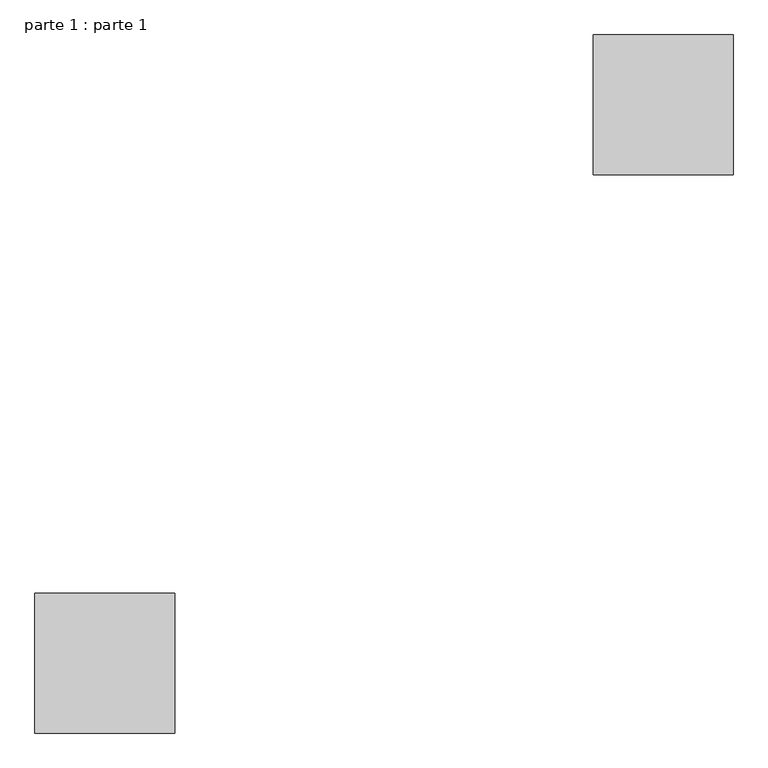
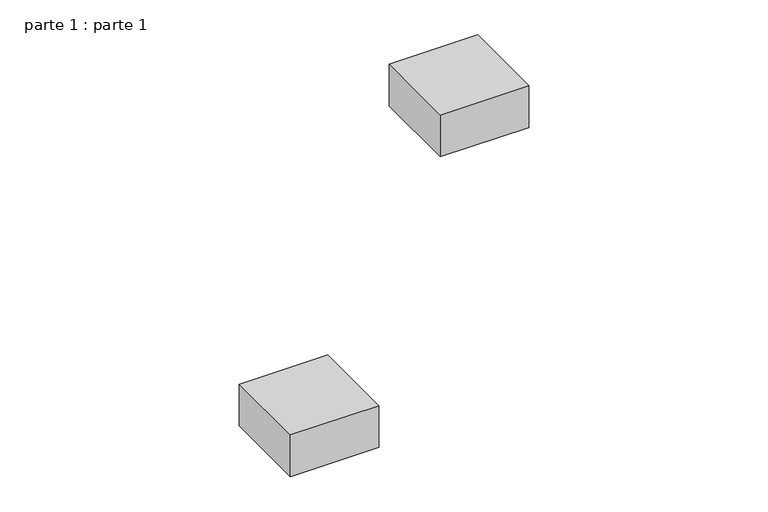
"""IFC4 building model written with IfcOpenShell, lengths in millimetres: proxy geometry, parte 1 : parte 1."""

from ifc_helpers import new_model, si_unit, frame, origin, place, context, project, spatial, polyline, outline, extrude, source, transform, mapped, element, save


def parte_1_parte_1_1bc4b7c5(model_context):
    return source(origin(), model_context, "Body", "SweptSolid", [
        extrude(outline(polyline([(1000.0, 1000.0), (1000.0, 800.0), (800.0, 800.0), (800.0, 1000.0), (1000.0, 1000.0)])), frame((0.0, 0.0, 900.0), z_axis=(0.0, 0.0, 1.0), x_axis=(1.0, 0.0, 0.0)), (0.0, 0.0, 1.0), 100.0),
        extrude(outline(polyline([(200.0, 0.0), (0.0, 0.0), (0.0, 200.0), (200.0, 200.0), (200.0, 0.0)])), frame((0.0, 0.0, 900.0), z_axis=(0.0, 0.0, 1.0), x_axis=(1.0, 0.0, 0.0)), (0.0, 0.0, 1.0), 100.0),
    ])


if __name__ == "__main__":
    model = new_model("IFC4")
    model_context = context("Model", 3, world=origin())
    ifc_project = project(units=[si_unit("LENGTHUNIT", "METRE", prefix="MILLI")], contexts=[model_context])
    site = spatial("IfcSite", under=ifc_project)
    building = spatial("IfcBuilding", under=site)
    placement = place(None, origin())
    parte_1_parte_1_shape = parte_1_parte_1_1bc4b7c5(model_context)
    element("IfcBuildingElementProxy", 1, Name="parte 1 : parte 1", ObjectType="parte 1 : parte 1", at=placement, inside=building, context=model_context, shape_type="MappedRepresentation", body=[
        mapped(parte_1_parte_1_shape, transform((0.0, 0.0, 0.0), x_axis=(1.0, 0.0, 0.0), y_axis=(0.0, 1.0, 0.0), z_axis=(0.0, 0.0, 1.0))),
    ])
    save(model, "model.ifc")
